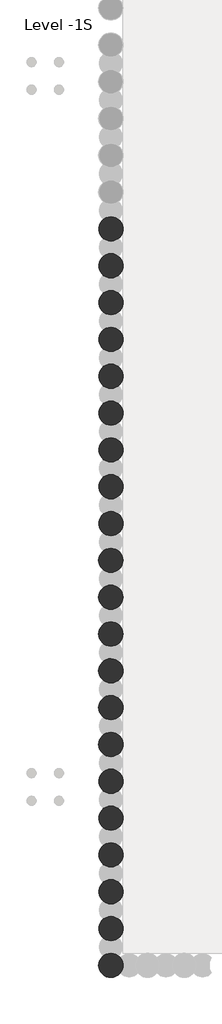
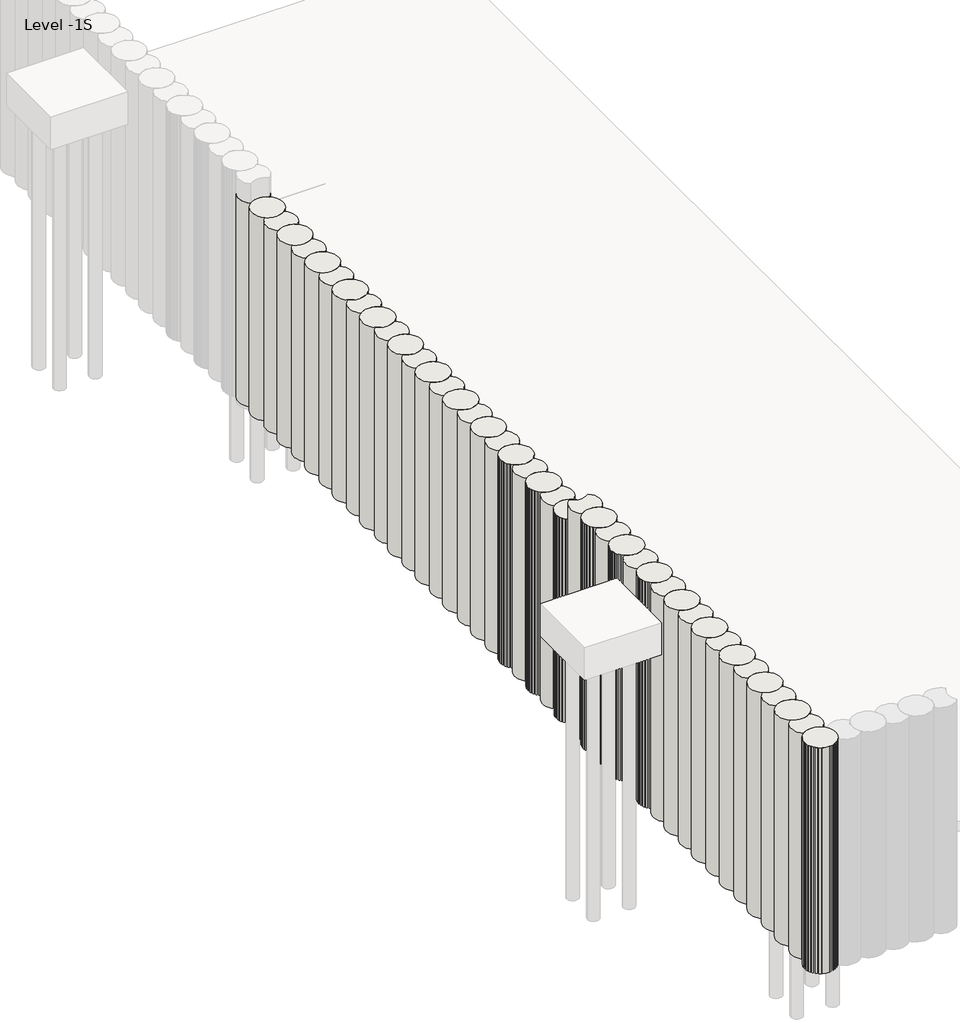
# One storey, part 1 of 5: 2 walls.
"""IFC4 building model written with IfcOpenShell, lengths in millimetres."""

from ifc_helpers import new_model, si_unit, point, frame, frame_2d, origin, place, context, project, spatial, circle_curve, trimmed, segment, composite_curve, outline, extrude, element, save

model = new_model("IFC4")

# Units and contexts
model_context = context("Model", 3, world=origin())
ifc_project = project(units=[si_unit("LENGTHUNIT", "METRE", prefix="MILLI")], contexts=[model_context])

# Site, building, storey
site = spatial("IfcSite", under=ifc_project)
building = spatial("IfcBuilding", under=site)
storey = spatial("IfcBuildingStorey", under=building, Name="Level -1S", Elevation=-5100.0)

# Walls
placement = place(None, origin())
element("IfcWall", 1, ObjectType="Walls 2 : Walls 2", at=placement, inside=storey, context=model_context, shape_type="SweptSolid", body=[
    extrude(outline(composite_curve([segment(trimmed(circle_curve(frame_2d((-25.5749186, 28339.7751014)), 460.0), [point((-25.5749186, 27879.7751014))], [point((-25.5749186, 28799.7751014))], False, "CARTESIAN"), True, "CONTINUOUS"), segment(trimmed(circle_curve(frame_2d((-25.5749186, 28339.7751014)), 460.0), [point((-25.5749186, 28799.7751014))], [point((-25.5749186, 27879.7751014))], False, "CARTESIAN"), True, "CONTINUOUS")], self_intersect=False)), frame((0.0, 0.0, -7600.0), z_axis=(0.0, 0.0, 1.0), x_axis=(1.0, 0.0, 0.0)), (0.0, 0.0, 1.0), 6300.0),
    extrude(outline(composite_curve([segment(trimmed(circle_curve(frame_2d((-25.5749186, 28339.7751014)), 460.0), [point((255.9115544, 28703.5956142))], [point((-25.5749186, 28799.7751014))], True, "CARTESIAN"), True, "CONTINUOUS"), segment(trimmed(circle_curve(frame_2d((-25.5749186, 28339.7751014)), 460.0), [point((-25.5749186, 28799.7751014))], [point((-307.0613915, 28703.5956142))], True, "CARTESIAN"), True, "CONTINUOUS"), segment(trimmed(circle_curve(frame_2d((-25.5749186, 29041.7751014)), 440.0), [point((-307.0613915, 28703.5956142))], [point((-307.0613915, 29379.9545885))], False, "CARTESIAN"), True, "CONTINUOUS"), segment(trimmed(circle_curve(frame_2d((-25.5749186, 29743.7751014)), 460.0), [point((-307.0613915, 29379.9545885))], [point((255.9115544, 29379.9545885))], True, "CARTESIAN"), True, "CONTINUOUS"), segment(trimmed(circle_curve(frame_2d((-25.5749186, 29041.7751014)), 440.0), [point((255.9115544, 29379.9545885))], [point((255.9115544, 28703.5956142))], False, "CARTESIAN"), True, "CONTINUOUS")], self_intersect=False)), frame((0.0, 0.0, -7600.0), z_axis=(0.0, 0.0, 1.0), x_axis=(1.0, 0.0, 0.0)), (0.0, 0.0, 1.0), 6300.0),
    extrude(outline(composite_curve([segment(trimmed(circle_curve(frame_2d((-25.5749186, 26935.7751014)), 460.0), [point((-25.5749186, 26475.7751014))], [point((-25.5749186, 27395.7751014))], False, "CARTESIAN"), True, "CONTINUOUS"), segment(trimmed(circle_curve(frame_2d((-25.5749186, 26935.7751014)), 460.0), [point((-25.5749186, 27395.7751014))], [point((-25.5749186, 26475.7751014))], False, "CARTESIAN"), True, "CONTINUOUS")], self_intersect=False)), frame((0.0, 0.0, -7600.0), z_axis=(0.0, 0.0, 1.0), x_axis=(1.0, 0.0, 0.0)), (0.0, 0.0, 1.0), 6300.0),
    extrude(outline(composite_curve([segment(trimmed(circle_curve(frame_2d((-25.5749186, 26935.7751014)), 460.0), [point((255.9115544, 27299.5956142))], [point((-25.5749186, 27395.7751014))], True, "CARTESIAN"), True, "CONTINUOUS"), segment(trimmed(circle_curve(frame_2d((-25.5749186, 26935.7751014)), 460.0), [point((-25.5749186, 27395.7751014))], [point((-307.0613915, 27299.5956142))], True, "CARTESIAN"), True, "CONTINUOUS"), segment(trimmed(circle_curve(frame_2d((-25.5749186, 27637.7751014)), 440.0), [point((-307.0613915, 27299.5956142))], [point((-307.0613915, 27975.9545885))], False, "CARTESIAN"), True, "CONTINUOUS"), segment(trimmed(circle_curve(frame_2d((-25.5749186, 28339.7751014)), 460.0), [point((-307.0613915, 27975.9545885))], [point((255.9115544, 27975.9545885))], True, "CARTESIAN"), True, "CONTINUOUS"), segment(trimmed(circle_curve(frame_2d((-25.5749186, 27637.7751014)), 440.0), [point((255.9115544, 27975.9545885))], [point((255.9115544, 27299.5956142))], False, "CARTESIAN"), True, "CONTINUOUS")], self_intersect=False)), frame((0.0, 0.0, -7600.0), z_axis=(0.0, 0.0, 1.0), x_axis=(1.0, 0.0, 0.0)), (0.0, 0.0, 1.0), 6300.0),
    extrude(outline(composite_curve([segment(trimmed(circle_curve(frame_2d((-25.5749186, 25531.7751014)), 460.0), [point((-25.5749186, 25071.7751014))], [point((-25.5749186, 25991.7751014))], False, "CARTESIAN"), True, "CONTINUOUS"), segment(trimmed(circle_curve(frame_2d((-25.5749186, 25531.7751014)), 460.0), [point((-25.5749186, 25991.7751014))], [point((-25.5749186, 25071.7751014))], False, "CARTESIAN"), True, "CONTINUOUS")], self_intersect=False)), frame((0.0, 0.0, -7600.0), z_axis=(0.0, 0.0, 1.0), x_axis=(1.0, 0.0, 0.0)), (0.0, 0.0, 1.0), 6300.0),
    extrude(outline(composite_curve([segment(trimmed(circle_curve(frame_2d((-25.5749186, 25531.7751014)), 460.0), [point((255.9115544, 25895.5956142))], [point((-25.5749186, 25991.7751014))], True, "CARTESIAN"), True, "CONTINUOUS"), segment(trimmed(circle_curve(frame_2d((-25.5749186, 25531.7751014)), 460.0), [point((-25.5749186, 25991.7751014))], [point((-307.0613915, 25895.5956142))], True, "CARTESIAN"), True, "CONTINUOUS"), segment(trimmed(circle_curve(frame_2d((-25.5749186, 26233.7751014)), 440.0), [point((-307.0613915, 25895.5956142))], [point((-307.0613915, 26571.9545885))], False, "CARTESIAN"), True, "CONTINUOUS"), segment(trimmed(circle_curve(frame_2d((-25.5749186, 26935.7751014)), 460.0), [point((-307.0613915, 26571.9545885))], [point((255.9115544, 26571.9545885))], True, "CARTESIAN"), True, "CONTINUOUS"), segment(trimmed(circle_curve(frame_2d((-25.5749186, 26233.7751014)), 440.0), [point((255.9115544, 26571.9545885))], [point((255.9115544, 25895.5956142))], False, "CARTESIAN"), True, "CONTINUOUS")], self_intersect=False)), frame((0.0, 0.0, -7600.0), z_axis=(0.0, 0.0, 1.0), x_axis=(1.0, 0.0, 0.0)), (0.0, 0.0, 1.0), 6300.0),
    extrude(outline(composite_curve([segment(trimmed(circle_curve(frame_2d((-25.5749186, 24127.7751014)), 460.0), [point((-25.5749186, 23667.7751014))], [point((-25.5749186, 24587.7751014))], False, "CARTESIAN"), True, "CONTINUOUS"), segment(trimmed(circle_curve(frame_2d((-25.5749186, 24127.7751014)), 460.0), [point((-25.5749186, 24587.7751014))], [point((-25.5749186, 23667.7751014))], False, "CARTESIAN"), True, "CONTINUOUS")], self_intersect=False)), frame((0.0, 0.0, -7600.0), z_axis=(0.0, 0.0, 1.0), x_axis=(1.0, 0.0, 0.0)), (0.0, 0.0, 1.0), 6300.0),
    extrude(outline(composite_curve([segment(trimmed(circle_curve(frame_2d((-25.5749186, 24127.7751014)), 460.0), [point((255.9115544, 24491.5956142))], [point((-25.5749186, 24587.7751014))], True, "CARTESIAN"), True, "CONTINUOUS"), segment(trimmed(circle_curve(frame_2d((-25.5749186, 24127.7751014)), 460.0), [point((-25.5749186, 24587.7751014))], [point((-307.0613915, 24491.5956142))], True, "CARTESIAN"), True, "CONTINUOUS"), segment(trimmed(circle_curve(frame_2d((-25.5749186, 24829.7751014)), 440.0), [point((-307.0613915, 24491.5956142))], [point((-307.0613915, 25167.9545885))], False, "CARTESIAN"), True, "CONTINUOUS"), segment(trimmed(circle_curve(frame_2d((-25.5749186, 25531.7751014)), 460.0), [point((-307.0613915, 25167.9545885))], [point((255.9115544, 25167.9545885))], True, "CARTESIAN"), True, "CONTINUOUS"), segment(trimmed(circle_curve(frame_2d((-25.5749186, 24829.7751014)), 440.0), [point((255.9115544, 25167.9545885))], [point((255.9115544, 24491.5956142))], False, "CARTESIAN"), True, "CONTINUOUS")], self_intersect=False)), frame((0.0, 0.0, -7600.0), z_axis=(0.0, 0.0, 1.0), x_axis=(1.0, 0.0, 0.0)), (0.0, 0.0, 1.0), 6300.0),
    extrude(outline(composite_curve([segment(trimmed(circle_curve(frame_2d((-25.5749186, 22723.7751014)), 460.0), [point((-25.5749186, 22263.7751014))], [point((-25.5749186, 23183.7751014))], False, "CARTESIAN"), True, "CONTINUOUS"), segment(trimmed(circle_curve(frame_2d((-25.5749186, 22723.7751014)), 460.0), [point((-25.5749186, 23183.7751014))], [point((-25.5749186, 22263.7751014))], False, "CARTESIAN"), True, "CONTINUOUS")], self_intersect=False)), frame((0.0, 0.0, -7600.0), z_axis=(0.0, 0.0, 1.0), x_axis=(1.0, 0.0, 0.0)), (0.0, 0.0, 1.0), 6300.0),
    extrude(outline(composite_curve([segment(trimmed(circle_curve(frame_2d((-25.5749186, 22723.7751014)), 460.0), [point((255.9115544, 23087.5956142))], [point((-25.5749186, 23183.7751014))], True, "CARTESIAN"), True, "CONTINUOUS"), segment(trimmed(circle_curve(frame_2d((-25.5749186, 22723.7751014)), 460.0), [point((-25.5749186, 23183.7751014))], [point((-307.0613915, 23087.5956142))], True, "CARTESIAN"), True, "CONTINUOUS"), segment(trimmed(circle_curve(frame_2d((-25.5749186, 23425.7751014)), 440.0), [point((-307.0613915, 23087.5956142))], [point((-307.0613915, 23763.9545885))], False, "CARTESIAN"), True, "CONTINUOUS"), segment(trimmed(circle_curve(frame_2d((-25.5749186, 24127.7751014)), 460.0), [point((-307.0613915, 23763.9545885))], [point((255.9115544, 23763.9545885))], True, "CARTESIAN"), True, "CONTINUOUS"), segment(trimmed(circle_curve(frame_2d((-25.5749186, 23425.7751014)), 440.0), [point((255.9115544, 23763.9545885))], [point((255.9115544, 23087.5956142))], False, "CARTESIAN"), True, "CONTINUOUS")], self_intersect=False)), frame((0.0, 0.0, -7600.0), z_axis=(0.0, 0.0, 1.0), x_axis=(1.0, 0.0, 0.0)), (0.0, 0.0, 1.0), 6300.0),
    extrude(outline(composite_curve([segment(trimmed(circle_curve(frame_2d((-25.5749186, 21319.7751014)), 460.0), [point((-25.5749186, 20859.7751014))], [point((-25.5749186, 21779.7751014))], False, "CARTESIAN"), True, "CONTINUOUS"), segment(trimmed(circle_curve(frame_2d((-25.5749186, 21319.7751014)), 460.0), [point((-25.5749186, 21779.7751014))], [point((-25.5749186, 20859.7751014))], False, "CARTESIAN"), True, "CONTINUOUS")], self_intersect=False)), frame((0.0, 0.0, -7600.0), z_axis=(0.0, 0.0, 1.0), x_axis=(1.0, 0.0, 0.0)), (0.0, 0.0, 1.0), 6300.0),
    extrude(outline(composite_curve([segment(trimmed(circle_curve(frame_2d((-25.5749186, 21319.7751014)), 460.0), [point((255.9115544, 21683.5956142))], [point((-25.5749186, 21779.7751014))], True, "CARTESIAN"), True, "CONTINUOUS"), segment(trimmed(circle_curve(frame_2d((-25.5749186, 21319.7751014)), 460.0), [point((-25.5749186, 21779.7751014))], [point((-307.0613915, 21683.5956142))], True, "CARTESIAN"), True, "CONTINUOUS"), segment(trimmed(circle_curve(frame_2d((-25.5749186, 22021.7751014)), 440.0), [point((-307.0613915, 21683.5956142))], [point((-307.0613915, 22359.9545885))], False, "CARTESIAN"), True, "CONTINUOUS"), segment(trimmed(circle_curve(frame_2d((-25.5749186, 22723.7751014)), 460.0), [point((-307.0613915, 22359.9545885))], [point((255.9115544, 22359.9545885))], True, "CARTESIAN"), True, "CONTINUOUS"), segment(trimmed(circle_curve(frame_2d((-25.5749186, 22021.7751014)), 440.0), [point((255.9115544, 22359.9545885))], [point((255.9115544, 21683.5956142))], False, "CARTESIAN"), True, "CONTINUOUS")], self_intersect=False)), frame((0.0, 0.0, -7600.0), z_axis=(0.0, 0.0, 1.0), x_axis=(1.0, 0.0, 0.0)), (0.0, 0.0, 1.0), 6300.0),
    extrude(outline(composite_curve([segment(trimmed(circle_curve(frame_2d((-25.5749186, 19915.7751014)), 460.0), [point((-25.5749186, 19455.7751014))], [point((-25.5749186, 20375.7751014))], False, "CARTESIAN"), True, "CONTINUOUS"), segment(trimmed(circle_curve(frame_2d((-25.5749186, 19915.7751014)), 460.0), [point((-25.5749186, 20375.7751014))], [point((-25.5749186, 19455.7751014))], False, "CARTESIAN"), True, "CONTINUOUS")], self_intersect=False)), frame((0.0, 0.0, -7600.0), z_axis=(0.0, 0.0, 1.0), x_axis=(1.0, 0.0, 0.0)), (0.0, 0.0, 1.0), 6300.0),
    extrude(outline(composite_curve([segment(trimmed(circle_curve(frame_2d((-25.5749186, 19915.7751014)), 460.0), [point((255.9115544, 20279.5956142))], [point((-25.5749186, 20375.7751014))], True, "CARTESIAN"), True, "CONTINUOUS"), segment(trimmed(circle_curve(frame_2d((-25.5749186, 19915.7751014)), 460.0), [point((-25.5749186, 20375.7751014))], [point((-307.0613915, 20279.5956142))], True, "CARTESIAN"), True, "CONTINUOUS"), segment(trimmed(circle_curve(frame_2d((-25.5749186, 20617.7751014)), 440.0), [point((-307.0613915, 20279.5956142))], [point((-307.0613915, 20955.9545885))], False, "CARTESIAN"), True, "CONTINUOUS"), segment(trimmed(circle_curve(frame_2d((-25.5749186, 21319.7751014)), 460.0), [point((-307.0613915, 20955.9545885))], [point((255.9115544, 20955.9545885))], True, "CARTESIAN"), True, "CONTINUOUS"), segment(trimmed(circle_curve(frame_2d((-25.5749186, 20617.7751014)), 440.0), [point((255.9115544, 20955.9545885))], [point((255.9115544, 20279.5956142))], False, "CARTESIAN"), True, "CONTINUOUS")], self_intersect=False)), frame((0.0, 0.0, -7600.0), z_axis=(0.0, 0.0, 1.0), x_axis=(1.0, 0.0, 0.0)), (0.0, 0.0, 1.0), 6300.0),
    extrude(outline(composite_curve([segment(trimmed(circle_curve(frame_2d((-25.5749186, 18511.7751014)), 460.0), [point((-25.5749186, 18051.7751014))], [point((-25.5749186, 18971.7751014))], False, "CARTESIAN"), True, "CONTINUOUS"), segment(trimmed(circle_curve(frame_2d((-25.5749186, 18511.7751014)), 460.0), [point((-25.5749186, 18971.7751014))], [point((-25.5749186, 18051.7751014))], False, "CARTESIAN"), True, "CONTINUOUS")], self_intersect=False)), frame((0.0, 0.0, -7600.0), z_axis=(0.0, 0.0, 1.0), x_axis=(1.0, 0.0, 0.0)), (0.0, 0.0, 1.0), 6300.0),
    extrude(outline(composite_curve([segment(trimmed(circle_curve(frame_2d((-25.5749186, 18511.7751014)), 460.0), [point((255.9115544, 18875.5956142))], [point((-25.5749186, 18971.7751014))], True, "CARTESIAN"), True, "CONTINUOUS"), segment(trimmed(circle_curve(frame_2d((-25.5749186, 18511.7751014)), 460.0), [point((-25.5749186, 18971.7751014))], [point((-307.0613915, 18875.5956142))], True, "CARTESIAN"), True, "CONTINUOUS"), segment(trimmed(circle_curve(frame_2d((-25.5749186, 19213.7751014)), 440.0), [point((-307.0613915, 18875.5956142))], [point((-307.0613915, 19551.9545885))], False, "CARTESIAN"), True, "CONTINUOUS"), segment(trimmed(circle_curve(frame_2d((-25.5749186, 19915.7751014)), 460.0), [point((-307.0613915, 19551.9545885))], [point((255.9115544, 19551.9545885))], True, "CARTESIAN"), True, "CONTINUOUS"), segment(trimmed(circle_curve(frame_2d((-25.5749186, 19213.7751014)), 440.0), [point((255.9115544, 19551.9545885))], [point((255.9115544, 18875.5956142))], False, "CARTESIAN"), True, "CONTINUOUS")], self_intersect=False)), frame((0.0, 0.0, -7600.0), z_axis=(0.0, 0.0, 1.0), x_axis=(1.0, 0.0, 0.0)), (0.0, 0.0, 1.0), 6300.0),
    extrude(outline(composite_curve([segment(trimmed(circle_curve(frame_2d((-25.5749186, 17107.7751014)), 460.0), [point((-25.5749186, 16647.7751014))], [point((-25.5749186, 17567.7751014))], False, "CARTESIAN"), True, "CONTINUOUS"), segment(trimmed(circle_curve(frame_2d((-25.5749186, 17107.7751014)), 460.0), [point((-25.5749186, 17567.7751014))], [point((-25.5749186, 16647.7751014))], False, "CARTESIAN"), True, "CONTINUOUS")], self_intersect=False)), frame((0.0, 0.0, -7600.0), z_axis=(0.0, 0.0, 1.0), x_axis=(1.0, 0.0, 0.0)), (0.0, 0.0, 1.0), 6300.0),
    extrude(outline(composite_curve([segment(trimmed(circle_curve(frame_2d((-25.5749186, 17107.7751014)), 460.0), [point((255.9115544, 17471.5956142))], [point((-25.5749186, 17567.7751014))], True, "CARTESIAN"), True, "CONTINUOUS"), segment(trimmed(circle_curve(frame_2d((-25.5749186, 17107.7751014)), 460.0), [point((-25.5749186, 17567.7751014))], [point((-307.0613915, 17471.5956142))], True, "CARTESIAN"), True, "CONTINUOUS"), segment(trimmed(circle_curve(frame_2d((-25.5749186, 17809.7751014)), 440.0), [point((-307.0613915, 17471.5956142))], [point((-307.0613915, 18147.9545885))], False, "CARTESIAN"), True, "CONTINUOUS"), segment(trimmed(circle_curve(frame_2d((-25.5749186, 18511.7751014)), 460.0), [point((-307.0613915, 18147.9545885))], [point((255.9115544, 18147.9545885))], True, "CARTESIAN"), True, "CONTINUOUS"), segment(trimmed(circle_curve(frame_2d((-25.5749186, 17809.7751014)), 440.0), [point((255.9115544, 18147.9545885))], [point((255.9115544, 17471.5956142))], False, "CARTESIAN"), True, "CONTINUOUS")], self_intersect=False)), frame((0.0, 0.0, -7600.0), z_axis=(0.0, 0.0, 1.0), x_axis=(1.0, 0.0, 0.0)), (0.0, 0.0, 1.0), 6300.0),
    extrude(outline(composite_curve([segment(trimmed(circle_curve(frame_2d((-25.5749186, 15703.7751014)), 460.0), [point((-25.5749186, 15243.7751014))], [point((-25.5749186, 16163.7751014))], False, "CARTESIAN"), True, "CONTINUOUS"), segment(trimmed(circle_curve(frame_2d((-25.5749186, 15703.7751014)), 460.0), [point((-25.5749186, 16163.7751014))], [point((-25.5749186, 15243.7751014))], False, "CARTESIAN"), True, "CONTINUOUS")], self_intersect=False)), frame((0.0, 0.0, -7600.0), z_axis=(0.0, 0.0, 1.0), x_axis=(1.0, 0.0, 0.0)), (0.0, 0.0, 1.0), 6300.0),
    extrude(outline(composite_curve([segment(trimmed(circle_curve(frame_2d((-25.5749186, 15703.7751014)), 460.0), [point((255.9115544, 16067.5956142))], [point((-25.5749186, 16163.7751014))], True, "CARTESIAN"), True, "CONTINUOUS"), segment(trimmed(circle_curve(frame_2d((-25.5749186, 15703.7751014)), 460.0), [point((-25.5749186, 16163.7751014))], [point((-307.0613915, 16067.5956142))], True, "CARTESIAN"), True, "CONTINUOUS"), segment(trimmed(circle_curve(frame_2d((-25.5749186, 16405.7751014)), 440.0), [point((-307.0613915, 16067.5956142))], [point((-307.0613915, 16743.9545885))], False, "CARTESIAN"), True, "CONTINUOUS"), segment(trimmed(circle_curve(frame_2d((-25.5749186, 17107.7751014)), 460.0), [point((-307.0613915, 16743.9545885))], [point((255.9115544, 16743.9545885))], True, "CARTESIAN"), True, "CONTINUOUS"), segment(trimmed(circle_curve(frame_2d((-25.5749186, 16405.7751014)), 440.0), [point((255.9115544, 16743.9545885))], [point((255.9115544, 16067.5956142))], False, "CARTESIAN"), True, "CONTINUOUS")], self_intersect=False)), frame((0.0, 0.0, -7600.0), z_axis=(0.0, 0.0, 1.0), x_axis=(1.0, 0.0, 0.0)), (0.0, 0.0, 1.0), 6300.0),
    extrude(outline(composite_curve([segment(trimmed(circle_curve(frame_2d((-25.5749186, 14299.7751014)), 460.0), [point((-25.5749186, 13839.7751014))], [point((-25.5749186, 14759.7751014))], False, "CARTESIAN"), True, "CONTINUOUS"), segment(trimmed(circle_curve(frame_2d((-25.5749186, 14299.7751014)), 460.0), [point((-25.5749186, 14759.7751014))], [point((-25.5749186, 13839.7751014))], False, "CARTESIAN"), True, "CONTINUOUS")], self_intersect=False)), frame((0.0, 0.0, -7600.0), z_axis=(0.0, 0.0, 1.0), x_axis=(1.0, 0.0, 0.0)), (0.0, 0.0, 1.0), 6300.0),
    extrude(outline(composite_curve([segment(trimmed(circle_curve(frame_2d((-25.5749186, 14299.7751014)), 460.0), [point((255.9115544, 14663.5956142))], [point((-25.5749186, 14759.7751014))], True, "CARTESIAN"), True, "CONTINUOUS"), segment(trimmed(circle_curve(frame_2d((-25.5749186, 14299.7751014)), 460.0), [point((-25.5749186, 14759.7751014))], [point((-307.0613915, 14663.5956142))], True, "CARTESIAN"), True, "CONTINUOUS"), segment(trimmed(circle_curve(frame_2d((-25.5749186, 15001.7751014)), 440.0), [point((-307.0613915, 14663.5956142))], [point((-307.0613915, 15339.9545885))], False, "CARTESIAN"), True, "CONTINUOUS"), segment(trimmed(circle_curve(frame_2d((-25.5749186, 15703.7751014)), 460.0), [point((-307.0613915, 15339.9545885))], [point((255.9115544, 15339.9545885))], True, "CARTESIAN"), True, "CONTINUOUS"), segment(trimmed(circle_curve(frame_2d((-25.5749186, 15001.7751014)), 440.0), [point((255.9115544, 15339.9545885))], [point((255.9115544, 14663.5956142))], False, "CARTESIAN"), True, "CONTINUOUS")], self_intersect=False)), frame((0.0, 0.0, -7600.0), z_axis=(0.0, 0.0, 1.0), x_axis=(1.0, 0.0, 0.0)), (0.0, 0.0, 1.0), 6300.0),
    extrude(outline(composite_curve([segment(trimmed(circle_curve(frame_2d((-25.5749186, 12895.7751014)), 460.0), [point((-25.5749186, 12435.7751014))], [point((-25.5749186, 13355.7751014))], False, "CARTESIAN"), True, "CONTINUOUS"), segment(trimmed(circle_curve(frame_2d((-25.5749186, 12895.7751014)), 460.0), [point((-25.5749186, 13355.7751014))], [point((-25.5749186, 12435.7751014))], False, "CARTESIAN"), True, "CONTINUOUS")], self_intersect=False)), frame((0.0, 0.0, -7600.0), z_axis=(0.0, 0.0, 1.0), x_axis=(1.0, 0.0, 0.0)), (0.0, 0.0, 1.0), 6300.0),
    extrude(outline(composite_curve([segment(trimmed(circle_curve(frame_2d((-25.5749186, 12895.7751014)), 460.0), [point((255.9115544, 13259.5956142))], [point((-25.5749186, 13355.7751014))], True, "CARTESIAN"), True, "CONTINUOUS"), segment(trimmed(circle_curve(frame_2d((-25.5749186, 12895.7751014)), 460.0), [point((-25.5749186, 13355.7751014))], [point((-307.0613915, 13259.5956142))], True, "CARTESIAN"), True, "CONTINUOUS"), segment(trimmed(circle_curve(frame_2d((-25.5749186, 13597.7751014)), 440.0), [point((-307.0613915, 13259.5956142))], [point((-307.0613915, 13935.9545885))], False, "CARTESIAN"), True, "CONTINUOUS"), segment(trimmed(circle_curve(frame_2d((-25.5749186, 14299.7751014)), 460.0), [point((-307.0613915, 13935.9545885))], [point((255.9115544, 13935.9545885))], True, "CARTESIAN"), True, "CONTINUOUS"), segment(trimmed(circle_curve(frame_2d((-25.5749186, 13597.7751014)), 440.0), [point((255.9115544, 13935.9545885))], [point((255.9115544, 13259.5956142))], False, "CARTESIAN"), True, "CONTINUOUS")], self_intersect=False)), frame((0.0, 0.0, -7600.0), z_axis=(0.0, 0.0, 1.0), x_axis=(1.0, 0.0, 0.0)), (0.0, 0.0, 1.0), 6300.0),
])
element("IfcWall", 2, ObjectType="Walls 5 : Walls 3", at=placement, inside=storey, context=model_context, shape_type="SweptSolid", body=[
    extrude(outline(composite_curve([segment(trimmed(circle_curve(frame_2d((-25.5749186, 259.7751014)), 460.0), [point((-25.5749186, -200.2248986))], [point((-25.5749186, 719.7751014))], False, "CARTESIAN"), True, "CONTINUOUS"), segment(trimmed(circle_curve(frame_2d((-25.5749186, 259.7751014)), 460.0), [point((-25.5749186, 719.7751014))], [point((-25.5749186, -200.2248986))], False, "CARTESIAN"), True, "CONTINUOUS")], self_intersect=False)), frame((0.0, 0.0, -7700.0), z_axis=(0.0, 0.0, 1.0), x_axis=(1.0, 0.0, 0.0)), (0.0, 0.0, 1.0), 7000.0),
    extrude(outline(composite_curve([segment(trimmed(circle_curve(frame_2d((-25.5749186, 961.7751014)), 440.0), [point((-307.0613915, 623.5956142))], [point((-307.0613915, 1299.9545885))], False, "CARTESIAN"), True, "CONTINUOUS"), segment(trimmed(circle_curve(frame_2d((-25.5749186, 1663.7751014)), 460.0), [point((-307.0613915, 1299.9545885))], [point((255.9115544, 1299.9545885))], True, "CARTESIAN"), True, "CONTINUOUS"), segment(trimmed(circle_curve(frame_2d((-25.5749186, 961.7751014)), 440.0), [point((255.9115544, 1299.9545885))], [point((255.9115544, 623.5956142))], False, "CARTESIAN"), True, "CONTINUOUS"), segment(trimmed(circle_curve(frame_2d((-25.5749186, 259.7751014)), 460.0), [point((255.9115544, 623.5956142))], [point((-25.5749186, 719.7751014))], True, "CARTESIAN"), True, "CONTINUOUS"), segment(trimmed(circle_curve(frame_2d((-25.5749186, 259.7751014)), 460.0), [point((-25.5749186, 719.7751014))], [point((-307.0613915, 623.5956142))], True, "CARTESIAN"), True, "CONTINUOUS")], self_intersect=False)), frame((0.0, 0.0, -7700.0), z_axis=(0.0, 0.0, 1.0), x_axis=(1.0, 0.0, 0.0)), (0.0, 0.0, 1.0), 7000.0),
    extrude(outline(composite_curve([segment(trimmed(circle_curve(frame_2d((-25.5749186, 1663.7751014)), 460.0), [point((-25.5749186, 1203.7751014))], [point((-25.5749186, 2123.7751014))], False, "CARTESIAN"), True, "CONTINUOUS"), segment(trimmed(circle_curve(frame_2d((-25.5749186, 1663.7751014)), 460.0), [point((-25.5749186, 2123.7751014))], [point((-25.5749186, 1203.7751014))], False, "CARTESIAN"), True, "CONTINUOUS")], self_intersect=False)), frame((0.0, 0.0, -7700.0), z_axis=(0.0, 0.0, 1.0), x_axis=(1.0, 0.0, 0.0)), (0.0, 0.0, 1.0), 7000.0),
    extrude(outline(composite_curve([segment(trimmed(circle_curve(frame_2d((-25.5749186, 2365.7751014)), 440.0), [point((-307.0613915, 2027.5956142))], [point((-307.0613915, 2703.9545885))], False, "CARTESIAN"), True, "CONTINUOUS"), segment(trimmed(circle_curve(frame_2d((-25.5749186, 3067.7751014)), 460.0), [point((-307.0613915, 2703.9545885))], [point((255.9115544, 2703.9545885))], True, "CARTESIAN"), True, "CONTINUOUS"), segment(trimmed(circle_curve(frame_2d((-25.5749186, 2365.7751014)), 440.0), [point((255.9115544, 2703.9545885))], [point((255.9115544, 2027.5956142))], False, "CARTESIAN"), True, "CONTINUOUS"), segment(trimmed(circle_curve(frame_2d((-25.5749186, 1663.7751014)), 460.0), [point((255.9115544, 2027.5956142))], [point((-25.5749186, 2123.7751014))], True, "CARTESIAN"), True, "CONTINUOUS"), segment(trimmed(circle_curve(frame_2d((-25.5749186, 1663.7751014)), 460.0), [point((-25.5749186, 2123.7751014))], [point((-307.0613915, 2027.5956142))], True, "CARTESIAN"), True, "CONTINUOUS")], self_intersect=False)), frame((0.0, 0.0, -7700.0), z_axis=(0.0, 0.0, 1.0), x_axis=(1.0, 0.0, 0.0)), (0.0, 0.0, 1.0), 7000.0),
    extrude(outline(composite_curve([segment(trimmed(circle_curve(frame_2d((-25.5749186, 3067.7751014)), 460.0), [point((-25.5749186, 2607.7751014))], [point((-25.5749186, 3527.7751014))], False, "CARTESIAN"), True, "CONTINUOUS"), segment(trimmed(circle_curve(frame_2d((-25.5749186, 3067.7751014)), 460.0), [point((-25.5749186, 3527.7751014))], [point((-25.5749186, 2607.7751014))], False, "CARTESIAN"), True, "CONTINUOUS")], self_intersect=False)), frame((0.0, 0.0, -7700.0), z_axis=(0.0, 0.0, 1.0), x_axis=(1.0, 0.0, 0.0)), (0.0, 0.0, 1.0), 7000.0),
    extrude(outline(composite_curve([segment(trimmed(circle_curve(frame_2d((-25.5749186, 3769.7751014)), 440.0), [point((-307.0613915, 3431.5956142))], [point((-307.0613915, 4107.9545885))], False, "CARTESIAN"), True, "CONTINUOUS"), segment(trimmed(circle_curve(frame_2d((-25.5749186, 4471.7751014)), 460.0), [point((-307.0613915, 4107.9545885))], [point((255.9115544, 4107.9545885))], True, "CARTESIAN"), True, "CONTINUOUS"), segment(trimmed(circle_curve(frame_2d((-25.5749186, 3769.7751014)), 440.0), [point((255.9115544, 4107.9545885))], [point((255.9115544, 3431.5956142))], False, "CARTESIAN"), True, "CONTINUOUS"), segment(trimmed(circle_curve(frame_2d((-25.5749186, 3067.7751014)), 460.0), [point((255.9115544, 3431.5956142))], [point((-25.5749186, 3527.7751014))], True, "CARTESIAN"), True, "CONTINUOUS"), segment(trimmed(circle_curve(frame_2d((-25.5749186, 3067.7751014)), 460.0), [point((-25.5749186, 3527.7751014))], [point((-307.0613915, 3431.5956142))], True, "CARTESIAN"), True, "CONTINUOUS")], self_intersect=False)), frame((0.0, 0.0, -7700.0), z_axis=(0.0, 0.0, 1.0), x_axis=(1.0, 0.0, 0.0)), (0.0, 0.0, 1.0), 7000.0),
    extrude(outline(composite_curve([segment(trimmed(circle_curve(frame_2d((-25.5749186, 4471.7751014)), 460.0), [point((-25.5749186, 4011.7751014))], [point((-25.5749186, 4931.7751014))], False, "CARTESIAN"), True, "CONTINUOUS"), segment(trimmed(circle_curve(frame_2d((-25.5749186, 4471.7751014)), 460.0), [point((-25.5749186, 4931.7751014))], [point((-25.5749186, 4011.7751014))], False, "CARTESIAN"), True, "CONTINUOUS")], self_intersect=False)), frame((0.0, 0.0, -7700.0), z_axis=(0.0, 0.0, 1.0), x_axis=(1.0, 0.0, 0.0)), (0.0, 0.0, 1.0), 7000.0),
    extrude(outline(composite_curve([segment(trimmed(circle_curve(frame_2d((-25.5749186, 5173.7751014)), 440.0), [point((-307.0613915, 4835.5956142))], [point((-307.0613915, 5511.9545885))], False, "CARTESIAN"), True, "CONTINUOUS"), segment(trimmed(circle_curve(frame_2d((-25.5749186, 5875.7751014)), 460.0), [point((-307.0613915, 5511.9545885))], [point((255.9115544, 5511.9545885))], True, "CARTESIAN"), True, "CONTINUOUS"), segment(trimmed(circle_curve(frame_2d((-25.5749186, 5173.7751014)), 440.0), [point((255.9115544, 5511.9545885))], [point((255.9115544, 4835.5956142))], False, "CARTESIAN"), True, "CONTINUOUS"), segment(trimmed(circle_curve(frame_2d((-25.5749186, 4471.7751014)), 460.0), [point((255.9115544, 4835.5956142))], [point((-25.5749186, 4931.7751014))], True, "CARTESIAN"), True, "CONTINUOUS"), segment(trimmed(circle_curve(frame_2d((-25.5749186, 4471.7751014)), 460.0), [point((-25.5749186, 4931.7751014))], [point((-307.0613915, 4835.5956142))], True, "CARTESIAN"), True, "CONTINUOUS")], self_intersect=False)), frame((0.0, 0.0, -7700.0), z_axis=(0.0, 0.0, 1.0), x_axis=(1.0, 0.0, 0.0)), (0.0, 0.0, 1.0), 7000.0),
    extrude(outline(composite_curve([segment(trimmed(circle_curve(frame_2d((-25.5749186, 5875.7751014)), 460.0), [point((-25.5749186, 5415.7751014))], [point((-25.5749186, 6335.7751014))], False, "CARTESIAN"), True, "CONTINUOUS"), segment(trimmed(circle_curve(frame_2d((-25.5749186, 5875.7751014)), 460.0), [point((-25.5749186, 6335.7751014))], [point((-25.5749186, 5415.7751014))], False, "CARTESIAN"), True, "CONTINUOUS")], self_intersect=False)), frame((0.0, 0.0, -7700.0), z_axis=(0.0, 0.0, 1.0), x_axis=(1.0, 0.0, 0.0)), (0.0, 0.0, 1.0), 7000.0),
    extrude(outline(composite_curve([segment(trimmed(circle_curve(frame_2d((-25.5749186, 6577.7751014)), 440.0), [point((-307.0613915, 6239.5956142))], [point((-307.0613915, 6915.9545885))], False, "CARTESIAN"), True, "CONTINUOUS"), segment(trimmed(circle_curve(frame_2d((-25.5749186, 7279.7751014)), 460.0), [point((-307.0613915, 6915.9545885))], [point((255.9115544, 6915.9545885))], True, "CARTESIAN"), True, "CONTINUOUS"), segment(trimmed(circle_curve(frame_2d((-25.5749186, 6577.7751014)), 440.0), [point((255.9115544, 6915.9545885))], [point((255.9115544, 6239.5956142))], False, "CARTESIAN"), True, "CONTINUOUS"), segment(trimmed(circle_curve(frame_2d((-25.5749186, 5875.7751014)), 460.0), [point((255.9115544, 6239.5956142))], [point((-25.5749186, 6335.7751014))], True, "CARTESIAN"), True, "CONTINUOUS"), segment(trimmed(circle_curve(frame_2d((-25.5749186, 5875.7751014)), 460.0), [point((-25.5749186, 6335.7751014))], [point((-307.0613915, 6239.5956142))], True, "CARTESIAN"), True, "CONTINUOUS")], self_intersect=False)), frame((0.0, 0.0, -7700.0), z_axis=(0.0, 0.0, 1.0), x_axis=(1.0, 0.0, 0.0)), (0.0, 0.0, 1.0), 7000.0),
    extrude(outline(composite_curve([segment(trimmed(circle_curve(frame_2d((-25.5749186, 7279.7751014)), 460.0), [point((-25.5749186, 6819.7751014))], [point((-25.5749186, 7739.7751014))], False, "CARTESIAN"), True, "CONTINUOUS"), segment(trimmed(circle_curve(frame_2d((-25.5749186, 7279.7751014)), 460.0), [point((-25.5749186, 7739.7751014))], [point((-25.5749186, 6819.7751014))], False, "CARTESIAN"), True, "CONTINUOUS")], self_intersect=False)), frame((0.0, 0.0, -7700.0), z_axis=(0.0, 0.0, 1.0), x_axis=(1.0, 0.0, 0.0)), (0.0, 0.0, 1.0), 7000.0),
    extrude(outline(composite_curve([segment(trimmed(circle_curve(frame_2d((-25.5749186, 7981.7751014)), 440.0), [point((-307.0613915, 7643.5956142))], [point((-307.0613915, 8319.9545885))], False, "CARTESIAN"), True, "CONTINUOUS"), segment(trimmed(circle_curve(frame_2d((-25.5749186, 8683.7751014)), 460.0), [point((-307.0613915, 8319.9545885))], [point((255.9115544, 8319.9545885))], True, "CARTESIAN"), True, "CONTINUOUS"), segment(trimmed(circle_curve(frame_2d((-25.5749186, 7981.7751014)), 440.0), [point((255.9115544, 8319.9545885))], [point((255.9115544, 7643.5956142))], False, "CARTESIAN"), True, "CONTINUOUS"), segment(trimmed(circle_curve(frame_2d((-25.5749186, 7279.7751014)), 460.0), [point((255.9115544, 7643.5956142))], [point((-25.5749186, 7739.7751014))], True, "CARTESIAN"), True, "CONTINUOUS"), segment(trimmed(circle_curve(frame_2d((-25.5749186, 7279.7751014)), 460.0), [point((-25.5749186, 7739.7751014))], [point((-307.0613915, 7643.5956142))], True, "CARTESIAN"), True, "CONTINUOUS")], self_intersect=False)), frame((0.0, 0.0, -7700.0), z_axis=(0.0, 0.0, 1.0), x_axis=(1.0, 0.0, 0.0)), (0.0, 0.0, 1.0), 7000.0),
    extrude(outline(composite_curve([segment(trimmed(circle_curve(frame_2d((-25.5749186, 8683.7751014)), 460.0), [point((-25.5749186, 8223.7751014))], [point((-25.5749186, 9143.7751014))], False, "CARTESIAN"), True, "CONTINUOUS"), segment(trimmed(circle_curve(frame_2d((-25.5749186, 8683.7751014)), 460.0), [point((-25.5749186, 9143.7751014))], [point((-25.5749186, 8223.7751014))], False, "CARTESIAN"), True, "CONTINUOUS")], self_intersect=False)), frame((0.0, 0.0, -7700.0), z_axis=(0.0, 0.0, 1.0), x_axis=(1.0, 0.0, 0.0)), (0.0, 0.0, 1.0), 7000.0),
    extrude(outline(composite_curve([segment(trimmed(circle_curve(frame_2d((-25.5749186, 9385.7751014)), 440.0), [point((-307.0613915, 9047.5956142))], [point((-307.0613915, 9723.9545885))], False, "CARTESIAN"), True, "CONTINUOUS"), segment(trimmed(circle_curve(frame_2d((-25.5749186, 10087.7751014)), 460.0), [point((-307.0613915, 9723.9545885))], [point((255.9115544, 9723.9545885))], True, "CARTESIAN"), True, "CONTINUOUS"), segment(trimmed(circle_curve(frame_2d((-25.5749186, 9385.7751014)), 440.0), [point((255.9115544, 9723.9545885))], [point((255.9115544, 9047.5956142))], False, "CARTESIAN"), True, "CONTINUOUS"), segment(trimmed(circle_curve(frame_2d((-25.5749186, 8683.7751014)), 460.0), [point((255.9115544, 9047.5956142))], [point((-25.5749186, 9143.7751014))], True, "CARTESIAN"), True, "CONTINUOUS"), segment(trimmed(circle_curve(frame_2d((-25.5749186, 8683.7751014)), 460.0), [point((-25.5749186, 9143.7751014))], [point((-307.0613915, 9047.5956142))], True, "CARTESIAN"), True, "CONTINUOUS")], self_intersect=False)), frame((0.0, 0.0, -7700.0), z_axis=(0.0, 0.0, 1.0), x_axis=(1.0, 0.0, 0.0)), (0.0, 0.0, 1.0), 7000.0),
    extrude(outline(composite_curve([segment(trimmed(circle_curve(frame_2d((-25.5749186, 10087.7751014)), 460.0), [point((-25.5749186, 9627.7751014))], [point((-25.5749186, 10547.7751014))], False, "CARTESIAN"), True, "CONTINUOUS"), segment(trimmed(circle_curve(frame_2d((-25.5749186, 10087.7751014)), 460.0), [point((-25.5749186, 10547.7751014))], [point((-25.5749186, 9627.7751014))], False, "CARTESIAN"), True, "CONTINUOUS")], self_intersect=False)), frame((0.0, 0.0, -7700.0), z_axis=(0.0, 0.0, 1.0), x_axis=(1.0, 0.0, 0.0)), (0.0, 0.0, 1.0), 7000.0),
    extrude(outline(composite_curve([segment(trimmed(circle_curve(frame_2d((-25.5749186, 10789.7751014)), 440.0), [point((-307.0613915, 10451.5956142))], [point((-307.0613915, 11127.9545885))], False, "CARTESIAN"), True, "CONTINUOUS"), segment(trimmed(circle_curve(frame_2d((-25.5749186, 11491.7751014)), 460.0), [point((-307.0613915, 11127.9545885))], [point((255.9115544, 11127.9545885))], True, "CARTESIAN"), True, "CONTINUOUS"), segment(trimmed(circle_curve(frame_2d((-25.5749186, 10789.7751014)), 440.0), [point((255.9115544, 11127.9545885))], [point((255.9115544, 10451.5956142))], False, "CARTESIAN"), True, "CONTINUOUS"), segment(trimmed(circle_curve(frame_2d((-25.5749186, 10087.7751014)), 460.0), [point((255.9115544, 10451.5956142))], [point((-25.5749186, 10547.7751014))], True, "CARTESIAN"), True, "CONTINUOUS"), segment(trimmed(circle_curve(frame_2d((-25.5749186, 10087.7751014)), 460.0), [point((-25.5749186, 10547.7751014))], [point((-307.0613915, 10451.5956142))], True, "CARTESIAN"), True, "CONTINUOUS")], self_intersect=False)), frame((0.0, 0.0, -7700.0), z_axis=(0.0, 0.0, 1.0), x_axis=(1.0, 0.0, 0.0)), (0.0, 0.0, 1.0), 7000.0),
    extrude(outline(composite_curve([segment(trimmed(circle_curve(frame_2d((-25.5749186, 11491.7751014)), 460.0), [point((-25.5749186, 11031.7751014))], [point((-25.5749186, 11951.7751014))], False, "CARTESIAN"), True, "CONTINUOUS"), segment(trimmed(circle_curve(frame_2d((-25.5749186, 11491.7751014)), 460.0), [point((-25.5749186, 11951.7751014))], [point((-25.5749186, 11031.7751014))], False, "CARTESIAN"), True, "CONTINUOUS")], self_intersect=False)), frame((0.0, 0.0, -7700.0), z_axis=(0.0, 0.0, 1.0), x_axis=(1.0, 0.0, 0.0)), (0.0, 0.0, 1.0), 7000.0),
    extrude(outline(composite_curve([segment(trimmed(circle_curve(frame_2d((-25.5749186, 12193.7751014)), 440.0), [point((-307.0613915, 11855.5956142))], [point((-307.0613915, 12531.9545885))], False, "CARTESIAN"), True, "CONTINUOUS"), segment(trimmed(circle_curve(frame_2d((-25.5749186, 12895.7751014)), 460.0), [point((-307.0613915, 12531.9545885))], [point((255.9115544, 12531.9545885))], True, "CARTESIAN"), True, "CONTINUOUS"), segment(trimmed(circle_curve(frame_2d((-25.5749186, 12193.7751014)), 440.0), [point((255.9115544, 12531.9545885))], [point((255.9115544, 11855.5956142))], False, "CARTESIAN"), True, "CONTINUOUS"), segment(trimmed(circle_curve(frame_2d((-25.5749186, 11491.7751014)), 460.0), [point((255.9115544, 11855.5956142))], [point((-25.5749186, 11951.7751014))], True, "CARTESIAN"), True, "CONTINUOUS"), segment(trimmed(circle_curve(frame_2d((-25.5749186, 11491.7751014)), 460.0), [point((-25.5749186, 11951.7751014))], [point((-307.0613915, 11855.5956142))], True, "CARTESIAN"), True, "CONTINUOUS")], self_intersect=False)), frame((0.0, 0.0, -7700.0), z_axis=(0.0, 0.0, 1.0), x_axis=(1.0, 0.0, 0.0)), (0.0, 0.0, 1.0), 7000.0),
])

save(model, "model.ifc")
